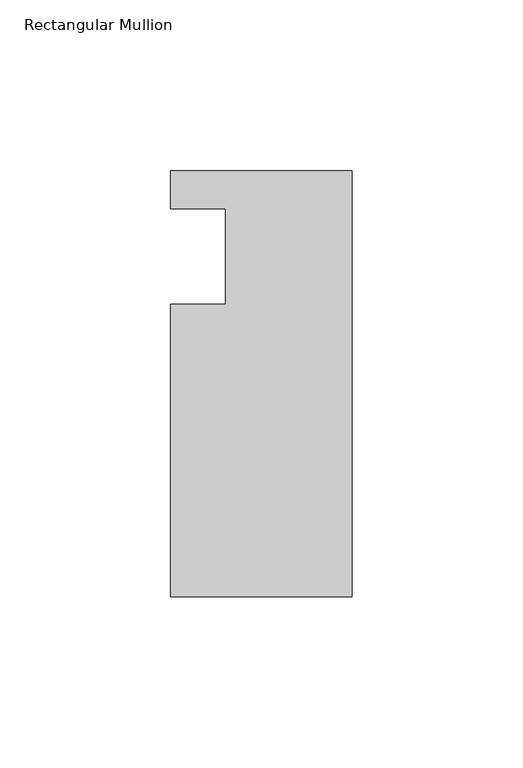
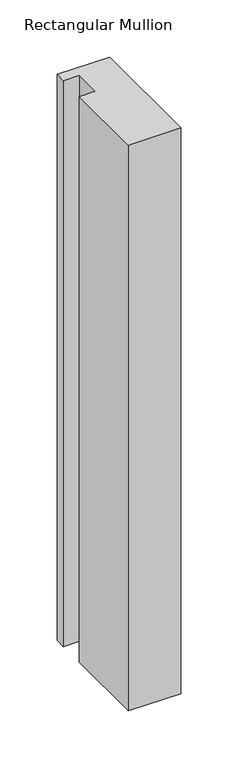
"""IFC4 building model written with IfcOpenShell, lengths in millimetres: member geometry, Rectangular Mullion."""

from ifc_helpers import new_model, si_unit, frame, origin, place, context, project, spatial, polyline, outline, extrude, source, transform, mapped, element, save


def rectangular_mullion_b2c66d0e(model_context):
    return source(origin(), model_context, "Body", "SweptSolid", [
        extrude(outline(polyline([(0.0, 25.0), (0.0, -99.5), (-53.0, -99.5), (-53.0, -14.0), (-37.0, -14.0), (-37.0, 14.0), (-53.0, 14.0), (-53.0, 25.0), (0.0, 25.0)])), frame((0.0, 0.0, -604.9120817), z_axis=(0.0, 0.0, 1.0), x_axis=(1.0, 0.0, 0.0)), (0.0, 0.0, 1.0), 604.9120817),
    ])


if __name__ == "__main__":
    model = new_model("IFC4")
    model_context = context("Model", 3, world=origin())
    ifc_project = project(units=[si_unit("LENGTHUNIT", "METRE", prefix="MILLI")], contexts=[model_context])
    site = spatial("IfcSite", under=ifc_project)
    building = spatial("IfcBuilding", under=site)
    placement = place(None, origin())
    rectangular_mullion_shape = rectangular_mullion_b2c66d0e(model_context)
    element("IfcMember", 1, ObjectType="Rectangular Mullion", at=placement, inside=building, context=model_context, shape_type="MappedRepresentation", body=[
        mapped(rectangular_mullion_shape, transform((0.0, 0.0, 0.0), x_axis=(1.0, 0.0, 0.0), y_axis=(0.0, 1.0, 0.0), z_axis=(0.0, 0.0, 1.0))),
    ])
    save(model, "model.ifc")
